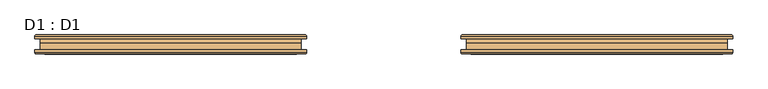
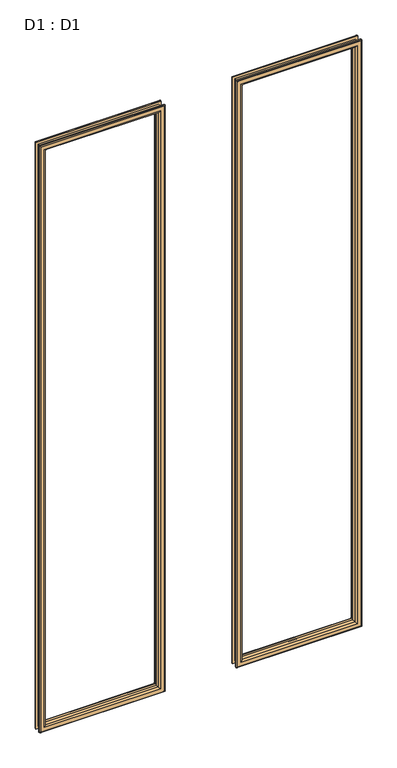
"""IFC4 building model written with IfcOpenShell, lengths in millimetres: door geometry, D1 : D1."""

import ifcopenshell
import ifcopenshell.guid

model = None  # the IFC model being written
_history = None  # IfcOwnerHistory: only IFC2X3 demands one
_inside = {}  # id of a spatial element -> (the spatial element, [elements in it])
_under = {}  # id of a project, library or spatial element -> (it, [spatial elements below it])
_declared = {}  # id of a project -> (the project, [libraries it declares])
_typed = {}  # id of a type object -> (the type object, [elements of that type])
_made_of = {}  # id of a material, layer set ... -> (it, [elements and type objects made of it])


def new_model(schema):
    """Start an empty IFC model of exactly this schema.

    Asked for "IFC4X3", IfcOpenShell would pick the latest addendum, in which some entities
    have other attributes; the version numbers below select the first issue.
    IFC2X3 requires an IfcOwnerHistory on every rooted entity: one is made here for all.
    """
    global model, _history
    if schema == "IFC4X3":
        model = ifcopenshell.file(schema_version=(4, 3, 0, 0))
    else:
        model = ifcopenshell.file(schema=schema)
    _inside.clear()
    _under.clear()
    _declared.clear()
    _typed.clear()
    _made_of.clear()
    _history = None
    if model.schema == "IFC2X3":
        org = make("IfcOrganization", Name="unknown")
        user = make(
            "IfcPersonAndOrganization",
            ThePerson=make("IfcPerson", FamilyName="unknown"),
            TheOrganization=org,
        )
        app = make(
            "IfcApplication",
            ApplicationDeveloper=org,
            Version="unknown",
            ApplicationFullName="unknown",
            ApplicationIdentifier="unknown",
        )
        _history = make(
            "IfcOwnerHistory",
            OwningUser=user,
            OwningApplication=app,
            ChangeAction="ADDED",
            CreationDate=0,
        )
    return model


def make(cls, **values):
    """One entity of the class cls with the attributes given. An attribute that is None is left unset."""
    return model.create_entity(
        cls, **{name: value for name, value in values.items() if value is not None}
    )


def rooted(cls, **values):
    """An entity with a GlobalId (a new one), such as an element, a storey or a relation."""
    return make(cls, GlobalId=ifcopenshell.guid.new(), OwnerHistory=_history, **values)


def si_unit(unit_type, name, prefix=None):
    """IfcSIUnit, for example si_unit("LENGTHUNIT", "METRE", prefix="MILLI")."""
    return make("IfcSIUnit", UnitType=unit_type, Prefix=prefix, Name=name)


def assignment(units):
    """IfcUnitAssignment: the units of a project."""
    return None if units is None else make("IfcUnitAssignment", Units=units)


def point(xyz):
    """IfcCartesianPoint."""
    return None if xyz is None else make("IfcCartesianPoint", Coordinates=xyz)


def direction(xyz):
    """IfcDirection."""
    return None if xyz is None else make("IfcDirection", DirectionRatios=xyz)


def frame(location, z_axis=None, x_axis=None):
    """IfcAxis2Placement3D, a coordinate frame: its origin and axes. An axis left out is left unset."""
    return make(
        "IfcAxis2Placement3D",
        Location=point(location),
        Axis=direction(z_axis),
        RefDirection=direction(x_axis),
    )


def origin():
    """The frame at (0, 0, 0) with its axes left unset."""
    return frame((0.0, 0.0, 0.0))


def place(relative_to, where):
    """IfcLocalPlacement: puts the frame where relative to a parent placement (None: the world)."""
    return make(
        "IfcLocalPlacement", PlacementRelTo=relative_to, RelativePlacement=where
    )


def context(
    kind, dimensions, precision=None, world=None, true_north=None, identifier=None
):
    """IfcGeometricRepresentationContext, for example the 3D "Model" context."""
    return make(
        "IfcGeometricRepresentationContext",
        ContextIdentifier=identifier,
        ContextType=kind,
        CoordinateSpaceDimension=dimensions,
        Precision=precision,
        WorldCoordinateSystem=world,
        TrueNorth=true_north,
    )


def project(units=None, contexts=None):
    """IfcProject with its units and contexts."""
    return rooted(
        "IfcProject",
        Name="project",
        RepresentationContexts=contexts,
        UnitsInContext=assignment(units),
    )


def spatial(cls, under=None, at=None, **own):
    """A site, building, storey or space (cls), placed at a placement, below another one or the project."""
    s = rooted(cls, ObjectPlacement=at, **own)
    if under is not None:
        _under.setdefault(under.id(), (under, []))[1].append(s)
    return s


def ellipse_curve(where, semi_axis1, semi_axis2):
    """IfcEllipse in the frame where."""
    return make(
        "IfcEllipse", Position=where, SemiAxis1=semi_axis1, SemiAxis2=semi_axis2
    )


def shape(context_of_items, identifier, shape_type, items):
    """IfcShapeRepresentation: the items that make up one representation, for example the "Body"."""
    return make(
        "IfcShapeRepresentation",
        ContextOfItems=context_of_items,
        RepresentationIdentifier=identifier,
        RepresentationType=shape_type,
        Items=items,
    )


def source(mapping_origin, context_of_items, identifier, shape_type, items):
    """IfcRepresentationMap: a shape defined once, which mapped items show again and again."""
    return make(
        "IfcRepresentationMap",
        MappingOrigin=mapping_origin,
        MappedRepresentation=shape(context_of_items, identifier, shape_type, items),
    )


def transform(
    local_origin,
    x_axis=None,
    y_axis=None,
    z_axis=None,
    scale=None,
    scale2=None,
    scale3=None,
    uniform=True,
):
    """IfcCartesianTransformationOperator3D, or its non-uniform kind. x_axis, y_axis, z_axis: its Axis1, 2, 3."""
    if uniform:
        return make(
            "IfcCartesianTransformationOperator3D",
            Axis1=direction(x_axis),
            Axis2=direction(y_axis),
            LocalOrigin=point(local_origin),
            Scale=scale,
            Axis3=direction(z_axis),
        )
    return make(
        "IfcCartesianTransformationOperator3DnonUniform",
        Axis1=direction(x_axis),
        Axis2=direction(y_axis),
        LocalOrigin=point(local_origin),
        Scale=scale,
        Axis3=direction(z_axis),
        Scale2=scale2,
        Scale3=scale3,
    )


def mapped(mapping_source, mapping_target):
    """IfcMappedItem: shows the shape of a source again, moved by a transform."""
    return make(
        "IfcMappedItem", MappingSource=mapping_source, MappingTarget=mapping_target
    )


def made_of(thing, what):
    """Note that an element or type object is made of a material, layer set ...; save() writes the relation."""
    if what is not None:
        _made_of.setdefault(what.id(), (what, []))[1].append(thing)
    return thing


def element(
    cls,
    number,
    at=None,
    inside=None,
    cuts=None,
    type_object=None,
    material=None,
    context=None,
    identifier="Body",
    shape_type=None,
    held_by="IfcProductDefinitionShape",
    body=None,
    shapes=None,
    **own,
):
    """One element of the class cls, such as IfcWall. Its Tag is "e" and its number.

    at: its placement. inside: the storey or other place that contains it. cuts: it is an
    opening in that element (IfcRelVoidsElement). A single representation is given by context,
    identifier, shape_type and body (its items); several are given by shapes. held_by: the class
    of the entity that holds the representations. save() writes the other relations.
    """
    e = rooted(cls, Tag="e%d" % number, ObjectPlacement=at, **own)
    if body is not None:
        shapes = [shape(context, identifier, shape_type, body)]
    if shapes is not None:
        e.Representation = make(held_by, Representations=shapes)
    if inside is not None:
        _inside.setdefault(inside.id(), (inside, []))[1].append(e)
    if cuts is not None:
        rooted(
            "IfcRelVoidsElement", RelatingBuildingElement=cuts, RelatedOpeningElement=e
        )
    if type_object is not None:
        _typed.setdefault(type_object.id(), (type_object, []))[1].append(e)
    return made_of(e, material)


def aggregate(whole, parts):
    """IfcRelAggregates: a whole, such as a stair, and the parts it consists of."""
    return rooted("IfcRelAggregates", RelatingObject=whole, RelatedObjects=parts)


def save(model, path):
    """Write the relations noted so far, then the file.

    IfcRelAggregates (storeys below a building ...), IfcRelContainedInSpatialStructure (elements
    in a storey), IfcRelDefinesByType, IfcRelAssociatesMaterial and IfcRelDeclares: one each for
    every whole, place, type object, material and project.
    """
    for whole, parts in _under.values():
        aggregate(whole, parts)
    for where, things in _inside.values():
        rooted(
            "IfcRelContainedInSpatialStructure",
            RelatedElements=things,
            RelatingStructure=where,
        )
    for kind, things in _typed.values():
        rooted("IfcRelDefinesByType", RelatedObjects=things, RelatingType=kind)
    for what, things in _made_of.values():
        rooted("IfcRelAssociatesMaterial", RelatedObjects=things, RelatingMaterial=what)
    for by, libraries in _declared.values():
        rooted("IfcRelDeclares", RelatingContext=by, RelatedDefinitions=libraries)
    model.write(path)


def plane_surface(at):
    """IfcPlane: the flat surface through the origin of the frame at, square to its z axis."""
    return make("IfcPlane", Position=at)


def cylinder_surface(at, radius):
    """IfcCylindricalSurface: all points at the distance radius from the z axis of the frame at."""
    return make("IfcCylindricalSurface", Position=at, Radius=radius)


def advanced_brep(points, edges, surfaces, faces):
    """IfcAdvancedBrep: a solid bounded by faces that lie on surfaces and meet in shared edges.

    An edge is (start, end): straight between two places in points (the first is 0);
    or (start, end, curve); or (start, end, curve, False) where it runs against its curve.
    A face is (place in surfaces, loops), or (place, loops, False) where it looks against
    its surface's normal. A loop lists edges by number (the first is 1), with a minus sign
    where the edge is run from its end to its start. The first loop is the outer one.
    """
    corners = [point(p) for p in points]
    vertices = [make("IfcVertexPoint", VertexGeometry=c) for c in corners]
    made = []
    for start, end, *more in edges:
        made.append(
            make(
                "IfcEdgeCurve",
                EdgeStart=vertices[start],
                EdgeEnd=vertices[end],
                EdgeGeometry=more[0] if more else make("IfcPolyline", Points=[corners[start], corners[end]]),
                SameSense=more[1] if len(more) > 1 else True,
            )
        )
    hull = []
    for where, loops, *sense in faces:
        bounds = []
        for j, loop in enumerate(loops):
            ring = [make("IfcOrientedEdge", EdgeElement=made[abs(k) - 1], Orientation=k > 0) for k in loop]
            bounds.append(
                make(
                    "IfcFaceOuterBound" if j == 0 else "IfcFaceBound",
                    Bound=make("IfcEdgeLoop", EdgeList=ring),
                    Orientation=True,
                )
            )
        hull.append(make("IfcAdvancedFace", Bounds=bounds, FaceSurface=surfaces[where], SameSense=sense[0] if sense else True))
    return make("IfcAdvancedBrep", Outer=make("IfcClosedShell", CfsFaces=hull))


def d1_d1_1bc493be(model_context):
    return source(origin(), model_context, "Body", "AdvancedBrep", [
        advanced_brep(
        [(526.5, 48.0, 2196.006446), (526.5, 38.0, 2196.006446), (526.5, 38.0, 155.753223), (526.5, 48.0, 155.753223), (514.5, 37.0, 2184.006446), (514.5, 48.0, 2184.006446), (514.5, 48.0, 167.753223), (514.5, 37.0, 167.753223), (519.5, 32.0, 2189.006446), (519.5, 32.0, 162.753223), (534.5, 34.0, 2204.006446), (532.5, 32.0, 2202.006446), (532.5, 32.0, 149.753223), (534.5, 34.0, 147.753223), (534.5, 38.0, 2204.006446), (534.5, 38.0, 147.753223), (126.5, 38.0, 155.753223), (126.5, 48.0, 155.753223), (138.5, 48.0, 167.753223), (138.5, 37.0, 167.753223), (133.5, 32.0, 162.753223), (120.5, 32.0, 149.753223), (118.5, 34.0, 147.753223), (118.5, 38.0, 147.753223), (126.5, 38.0, 2196.006446), (126.5, 48.0, 2196.006446), (138.5, 48.0, 2184.006446), (138.5, 37.0, 2184.006446), (133.5, 32.0, 2189.006446), (120.5, 32.0, 2202.006446), (118.5, 34.0, 2204.006446), (118.5, 38.0, 2204.006446)],
        [
            (0, 1),
            (1, 2),
            (2, 3),
            (3, 0),
            (4, 5),
            (5, 6),
            (6, 7),
            (7, 4),
            (8, 4, ellipse_curve(frame((519.5, 37.0, 2189.006446), z_axis=(0.7071067811865475, 0.0, -0.7071067811865475), x_axis=(0.7071067811865474, 0.0, 0.7071067811865476)), 7.0710678, 5.0)),
            (7, 9, ellipse_curve(frame((519.5, 37.0, 162.753223), z_axis=(0.7071067811865475, 0.0, 0.7071067811865475), x_axis=(-0.7071067811865474, 0.0, 0.7071067811865476)), 7.0710678, 5.0)),
            (9, 8),
            (10, 11, ellipse_curve(frame((532.5, 34.0, 2202.006446), z_axis=(0.7071067811865475, 0.0, -0.7071067811865475), x_axis=(0.7071067811865474, 0.0, 0.7071067811865476)), 2.8284271, 2.0)),
            (11, 12),
            (12, 13, ellipse_curve(frame((532.5, 34.0, 149.753223), z_axis=(0.7071067811865475, 0.0, 0.7071067811865475), x_axis=(-0.7071067811865474, 0.0, 0.7071067811865476)), 2.8284271, 2.0)),
            (13, 10),
            (14, 10),
            (13, 15),
            (15, 14),
            (2, 16),
            (16, 17),
            (17, 3),
            (6, 18),
            (18, 19),
            (19, 7),
            (19, 20, ellipse_curve(frame((133.5, 37.0, 162.753223), z_axis=(0.7071067811865475, 0.0, -0.7071067811865475), x_axis=(0.7071067811865476, 0.0, 0.7071067811865474)), 7.0710678, 5.0)),
            (20, 9),
            (12, 21),
            (21, 22, ellipse_curve(frame((120.5, 34.0, 149.753223), z_axis=(0.7071067811865475, 0.0, -0.7071067811865475), x_axis=(0.7071067811865476, 0.0, 0.7071067811865474)), 2.8284271, 2.0)),
            (22, 13),
            (22, 23),
            (23, 15),
            (16, 24),
            (24, 25),
            (25, 17),
            (18, 26),
            (26, 27),
            (27, 19),
            (27, 28, ellipse_curve(frame((133.5, 37.0, 2189.006446), z_axis=(-0.7071067811865475, 0.0, -0.7071067811865475), x_axis=(0.7071067811865474, 0.0, -0.7071067811865476)), 7.0710678, 5.0)),
            (28, 20),
            (21, 29),
            (29, 30, ellipse_curve(frame((120.5, 34.0, 2202.006446), z_axis=(-0.7071067811865475, 0.0, -0.7071067811865475), x_axis=(0.7071067811865474, 0.0, -0.7071067811865476)), 2.8284271, 2.0)),
            (30, 22),
            (30, 31),
            (31, 23),
            (31, 14),
            (1, 24),
            (0, 25),
            (5, 26),
            (4, 27),
            (8, 28),
            (11, 29),
            (10, 30),
        ],
        [
            plane_surface(frame((526.5, 38.0, 2196.006446), z_axis=(1.0, 0.0, 0.0), x_axis=(0.0, 0.0, -1.0))),
            plane_surface(frame((514.5, 48.0, 2184.006446), z_axis=(-1.0, 0.0, 0.0), x_axis=(0.0, 0.0, -1.0))),
            cylinder_surface(frame((519.5, 37.0, 2196.006446), z_axis=(0.0, 0.0, 1.0), x_axis=(1.0, 0.0, 0.0)), 5.0),
            cylinder_surface(frame((532.5, 34.0, 2196.006446), z_axis=(0.0, 0.0, 1.0), x_axis=(1.0, 0.0, 0.0)), 2.0),
            plane_surface(frame((534.5, 34.0, 2204.006446), z_axis=(1.0, 0.0, 0.0), x_axis=(0.0, 0.0, -1.0))),
            plane_surface(frame((526.5, 38.0, 155.753223), z_axis=(0.0, 0.0, -1.0), x_axis=(-1.0, 0.0, 0.0))),
            plane_surface(frame((514.5, 48.0, 167.753223), z_axis=(0.0, 0.0, 1.0), x_axis=(-1.0, 0.0, 0.0))),
            cylinder_surface(frame((526.5, 37.0, 162.753223), z_axis=(1.0, 0.0, 0.0), x_axis=(0.0, 0.0, -1.0)), 5.0),
            cylinder_surface(frame((526.5, 34.0, 149.753223), z_axis=(1.0, 0.0, 0.0), x_axis=(0.0, 0.0, -1.0)), 2.0),
            plane_surface(frame((534.5, 34.0, 147.753223), z_axis=(0.0, 0.0, -1.0), x_axis=(-1.0, 0.0, 0.0))),
            plane_surface(frame((126.5, 38.0, 155.753223), z_axis=(-1.0, 0.0, 0.0), x_axis=(0.0, 0.0, 1.0))),
            plane_surface(frame((138.5, 48.0, 167.753223), z_axis=(1.0, 0.0, 0.0), x_axis=(0.0, 0.0, 1.0))),
            cylinder_surface(frame((133.5, 37.0, 155.753223), z_axis=(0.0, 0.0, -1.0), x_axis=(-1.0, 0.0, 0.0)), 5.0),
            cylinder_surface(frame((120.5, 34.0, 155.753223), z_axis=(0.0, 0.0, -1.0), x_axis=(-1.0, 0.0, 0.0)), 2.0),
            plane_surface(frame((118.5, 34.0, 147.753223), z_axis=(-1.0, 0.0, 0.0), x_axis=(0.0, 0.0, 1.0))),
            plane_surface(frame((118.5, 38.0, 2204.006446), z_axis=(0.0, 1.0, 0.0), x_axis=(1.0, 0.0, 0.0))),
            plane_surface(frame((126.5, 38.0, 2196.006446), z_axis=(0.0, 0.0, 1.0), x_axis=(1.0, 0.0, 0.0))),
            plane_surface(frame((126.5, 48.0, 2196.006446), z_axis=(0.0, 1.0, 0.0), x_axis=(1.0, 0.0, 0.0))),
            plane_surface(frame((138.5, 48.0, 2184.006446), z_axis=(0.0, 0.0, -1.0), x_axis=(1.0, 0.0, 0.0))),
            cylinder_surface(frame((126.5, 37.0, 2189.006446), z_axis=(-1.0, 0.0, 0.0), x_axis=(0.0, 0.0, 1.0)), 5.0),
            plane_surface(frame((133.5, 32.0, 2189.006446), z_axis=(0.0, -1.0, 0.0), x_axis=(1.0, 0.0, 0.0))),
            cylinder_surface(frame((126.5, 34.0, 2202.006446), z_axis=(-1.0, 0.0, 0.0), x_axis=(0.0, 0.0, 1.0)), 2.0),
            plane_surface(frame((118.5, 34.0, 2204.006446), z_axis=(0.0, 0.0, 1.0), x_axis=(1.0, 0.0, 0.0))),
        ],
        [
            (0, [[1, 2, 3, 4]]),
            (1, [[5, 6, 7, 8]]),
            (2, [[9, -8, 10, 11]]),
            (3, [[12, 13, 14, 15]]),
            (4, [[16, -15, 17, 18]]),
            (5, [[-3, 19, 20, 21]]),
            (6, [[-7, 22, 23, 24]]),
            (7, [[-10, -24, 25, 26]]),
            (8, [[-14, 27, 28, 29]]),
            (9, [[-17, -29, 30, 31]]),
            (10, [[-20, 32, 33, 34]]),
            (11, [[-23, 35, 36, 37]]),
            (12, [[-25, -37, 38, 39]]),
            (13, [[-28, 40, 41, 42]]),
            (14, [[-30, -42, 43, 44]]),
            (15, [[-31, -44, 45, -18], [46, -32, -19, -2]]),
            (16, [[-33, -46, -1, 47]]),
            (17, [[-21, -34, -47, -4], [48, -35, -22, -6]]),
            (18, [[-36, -48, -5, 49]]),
            (19, [[-38, -49, -9, 50]]),
            (20, [[51, -40, -27, -13], [-26, -39, -50, -11]]),
            (21, [[-41, -51, -12, 52]]),
            (22, [[-43, -52, -16, -45]]),
        ],
    ),
        advanced_brep(
        [(-526.5, 48.0, 155.753223), (-526.5, 38.0, 155.753223), (-526.5, 38.0, 2195.753223), (-526.5, 48.0, 2195.753223), (-514.5, 37.0, 167.753223), (-514.5, 48.0, 167.753223), (-514.5, 48.0, 2183.753223), (-514.5, 37.0, 2183.753223), (-519.5, 32.0, 162.753223), (-519.5, 32.0, 2188.753223), (-534.5, 34.0, 147.753223), (-532.5, 32.0, 149.753223), (-532.5, 32.0, 2201.753223), (-534.5, 34.0, 2203.753223), (-534.5, 38.0, 147.753223), (-534.5, 38.0, 2203.753223), (-126.5, 38.0, 2195.753223), (-126.5, 48.0, 2195.753223), (-138.5, 48.0, 2183.753223), (-138.5, 37.0, 2183.753223), (-133.5, 32.0, 2188.753223), (-120.5, 32.0, 2201.753223), (-118.5, 34.0, 2203.753223), (-118.5, 38.0, 2203.753223), (-126.5, 38.0, 155.753223), (-126.5, 48.0, 155.753223), (-138.5, 48.0, 167.753223), (-138.5, 37.0, 167.753223), (-133.5, 32.0, 162.753223), (-120.5, 32.0, 149.753223), (-118.5, 34.0, 147.753223), (-118.5, 38.0, 147.753223)],
        [
            (0, 1),
            (1, 2),
            (2, 3),
            (3, 0),
            (4, 5),
            (5, 6),
            (6, 7),
            (7, 4),
            (8, 4, ellipse_curve(frame((-519.5, 37.0, 162.753223), z_axis=(-0.7071067811865475, 0.0, 0.7071067811865475), x_axis=(-0.7071067811865474, 0.0, -0.7071067811865476)), 7.0710678, 5.0)),
            (7, 9, ellipse_curve(frame((-519.5, 37.0, 2188.753223), z_axis=(-0.7071067811865475, 0.0, -0.7071067811865475), x_axis=(0.7071067811865474, 0.0, -0.7071067811865476)), 7.0710678, 5.0)),
            (9, 8),
            (10, 11, ellipse_curve(frame((-532.5, 34.0, 149.753223), z_axis=(-0.7071067811865475, 0.0, 0.7071067811865475), x_axis=(-0.7071067811865474, 0.0, -0.7071067811865476)), 2.8284271, 2.0)),
            (11, 12),
            (12, 13, ellipse_curve(frame((-532.5, 34.0, 2201.753223), z_axis=(-0.7071067811865475, 0.0, -0.7071067811865475), x_axis=(0.7071067811865474, 0.0, -0.7071067811865476)), 2.8284271, 2.0)),
            (13, 10),
            (14, 10),
            (13, 15),
            (15, 14),
            (2, 16),
            (16, 17),
            (17, 3),
            (6, 18),
            (18, 19),
            (19, 7),
            (19, 20, ellipse_curve(frame((-133.5, 37.0, 2188.753223), z_axis=(-0.7071067811865475, 0.0, 0.7071067811865475), x_axis=(-0.7071067811865476, 0.0, -0.7071067811865474)), 7.0710678, 5.0)),
            (20, 9),
            (12, 21),
            (21, 22, ellipse_curve(frame((-120.5, 34.0, 2201.753223), z_axis=(-0.7071067811865475, 0.0, 0.7071067811865475), x_axis=(-0.7071067811865476, 0.0, -0.7071067811865474)), 2.8284271, 2.0)),
            (22, 13),
            (22, 23),
            (23, 15),
            (16, 24),
            (24, 25),
            (25, 17),
            (18, 26),
            (26, 27),
            (27, 19),
            (27, 28, ellipse_curve(frame((-133.5, 37.0, 162.753223), z_axis=(0.7071067811865475, 0.0, 0.7071067811865475), x_axis=(-0.7071067811865474, 0.0, 0.7071067811865476)), 7.0710678, 5.0)),
            (28, 20),
            (21, 29),
            (29, 30, ellipse_curve(frame((-120.5, 34.0, 149.753223), z_axis=(0.7071067811865475, 0.0, 0.7071067811865475), x_axis=(-0.7071067811865474, 0.0, 0.7071067811865476)), 2.8284271, 2.0)),
            (30, 22),
            (30, 31),
            (31, 23),
            (31, 14),
            (1, 24),
            (0, 25),
            (5, 26),
            (4, 27),
            (8, 28),
            (11, 29),
            (10, 30),
        ],
        [
            plane_surface(frame((-526.5, 38.0, 155.753223), z_axis=(-1.0, 0.0, 0.0), x_axis=(0.0, 0.0, 1.0))),
            plane_surface(frame((-514.5, 48.0, 167.753223), z_axis=(1.0, 0.0, 0.0), x_axis=(0.0, 0.0, 1.0))),
            cylinder_surface(frame((-519.5, 37.0, 155.753223), z_axis=(0.0, 0.0, -1.0), x_axis=(-1.0, 0.0, 0.0)), 5.0),
            cylinder_surface(frame((-532.5, 34.0, 155.753223), z_axis=(0.0, 0.0, -1.0), x_axis=(-1.0, 0.0, 0.0)), 2.0),
            plane_surface(frame((-534.5, 34.0, 147.753223), z_axis=(-1.0, 0.0, 0.0), x_axis=(0.0, 0.0, 1.0))),
            plane_surface(frame((-526.5, 38.0, 2195.753223), z_axis=(0.0, 0.0, 1.0), x_axis=(1.0, 0.0, 0.0))),
            plane_surface(frame((-514.5, 48.0, 2183.753223), z_axis=(0.0, 0.0, -1.0), x_axis=(1.0, 0.0, 0.0))),
            cylinder_surface(frame((-526.5, 37.0, 2188.753223), z_axis=(-1.0, 0.0, 0.0), x_axis=(0.0, 0.0, 1.0)), 5.0),
            cylinder_surface(frame((-526.5, 34.0, 2201.753223), z_axis=(-1.0, 0.0, 0.0), x_axis=(0.0, 0.0, 1.0)), 2.0),
            plane_surface(frame((-534.5, 34.0, 2203.753223), z_axis=(0.0, 0.0, 1.0), x_axis=(1.0, 0.0, 0.0))),
            plane_surface(frame((-126.5, 38.0, 2195.753223), z_axis=(1.0, 0.0, 0.0), x_axis=(0.0, 0.0, -1.0))),
            plane_surface(frame((-138.5, 48.0, 2183.753223), z_axis=(-1.0, 0.0, 0.0), x_axis=(0.0, 0.0, -1.0))),
            cylinder_surface(frame((-133.5, 37.0, 2195.753223), z_axis=(0.0, 0.0, 1.0), x_axis=(1.0, 0.0, 0.0)), 5.0),
            cylinder_surface(frame((-120.5, 34.0, 2195.753223), z_axis=(0.0, 0.0, 1.0), x_axis=(1.0, 0.0, 0.0)), 2.0),
            plane_surface(frame((-118.5, 34.0, 2203.753223), z_axis=(1.0, 0.0, 0.0), x_axis=(0.0, 0.0, -1.0))),
            plane_surface(frame((-118.5, 38.0, 147.753223), z_axis=(0.0, 1.0, 0.0), x_axis=(-1.0, 0.0, 0.0))),
            plane_surface(frame((-126.5, 38.0, 155.753223), z_axis=(0.0, 0.0, -1.0), x_axis=(-1.0, 0.0, 0.0))),
            plane_surface(frame((-126.5, 48.0, 155.753223), z_axis=(0.0, 1.0, 0.0), x_axis=(-1.0, 0.0, 0.0))),
            plane_surface(frame((-138.5, 48.0, 167.753223), z_axis=(0.0, 0.0, 1.0), x_axis=(-1.0, 0.0, 0.0))),
            cylinder_surface(frame((-126.5, 37.0, 162.753223), z_axis=(1.0, 0.0, 0.0), x_axis=(0.0, 0.0, -1.0)), 5.0),
            plane_surface(frame((-133.5, 32.0, 162.753223), z_axis=(0.0, -1.0, 0.0), x_axis=(-1.0, 0.0, 0.0))),
            cylinder_surface(frame((-126.5, 34.0, 149.753223), z_axis=(1.0, 0.0, 0.0), x_axis=(0.0, 0.0, -1.0)), 2.0),
            plane_surface(frame((-118.5, 34.0, 147.753223), z_axis=(0.0, 0.0, -1.0), x_axis=(-1.0, 0.0, 0.0))),
        ],
        [
            (0, [[1, 2, 3, 4]]),
            (1, [[5, 6, 7, 8]]),
            (2, [[9, -8, 10, 11]]),
            (3, [[12, 13, 14, 15]]),
            (4, [[16, -15, 17, 18]]),
            (5, [[-3, 19, 20, 21]]),
            (6, [[-7, 22, 23, 24]]),
            (7, [[-10, -24, 25, 26]]),
            (8, [[-14, 27, 28, 29]]),
            (9, [[-17, -29, 30, 31]]),
            (10, [[-20, 32, 33, 34]]),
            (11, [[-23, 35, 36, 37]]),
            (12, [[-25, -37, 38, 39]]),
            (13, [[-28, 40, 41, 42]]),
            (14, [[-30, -42, 43, 44]]),
            (15, [[-31, -44, 45, -18], [46, -32, -19, -2]]),
            (16, [[-33, -46, -1, 47]]),
            (17, [[-21, -34, -47, -4], [48, -35, -22, -6]]),
            (18, [[-36, -48, -5, 49]]),
            (19, [[-38, -49, -9, 50]]),
            (20, [[51, -40, -27, -13], [-26, -39, -50, -11]]),
            (21, [[-41, -51, -12, 52]]),
            (22, [[-43, -52, -16, -45]]),
        ],
    ),
        advanced_brep(
        [(526.5, 45.0, 155.753223), (526.5, 55.0, 155.753223), (526.5, 55.0, 2196.006446), (526.5, 45.0, 2196.006446), (514.5, 56.0, 167.753223), (514.5, 45.0, 167.753223), (514.5, 45.0, 2184.006446), (514.5, 56.0, 2184.006446), (519.5, 61.0, 162.753223), (519.5, 61.0, 2189.006446), (534.5, 59.0, 147.753223), (532.5, 61.0, 149.753223), (532.5, 61.0, 2202.006446), (534.5, 59.0, 2204.006446), (534.5, 55.0, 147.753223), (534.5, 55.0, 2204.006446), (126.5, 55.0, 2196.006446), (126.5, 45.0, 2196.006446), (138.5, 45.0, 2184.006446), (138.5, 56.0, 2184.006446), (133.5, 61.0, 2189.006446), (120.5, 61.0, 2202.006446), (118.5, 59.0, 2204.006446), (118.5, 55.0, 2204.006446), (126.5, 55.0, 155.753223), (126.5, 45.0, 155.753223), (138.5, 45.0, 167.753223), (138.5, 56.0, 167.753223), (133.5, 61.0, 162.753223), (120.5, 61.0, 149.753223), (118.5, 59.0, 147.753223), (118.5, 55.0, 147.753223)],
        [
            (0, 1),
            (1, 2),
            (2, 3),
            (3, 0),
            (4, 5),
            (5, 6),
            (6, 7),
            (7, 4),
            (8, 4, ellipse_curve(frame((519.5, 56.0, 162.753223), z_axis=(0.7071067811865475, 0.0, 0.7071067811865475), x_axis=(0.7071067811865474, 0.0, -0.7071067811865476)), 7.0710678, 5.0)),
            (7, 9, ellipse_curve(frame((519.5, 56.0, 2189.006446), z_axis=(0.7071067811865475, 0.0, -0.7071067811865475), x_axis=(-0.7071067811865474, 0.0, -0.7071067811865476)), 7.0710678, 5.0)),
            (9, 8),
            (10, 11, ellipse_curve(frame((532.5, 59.0, 149.753223), z_axis=(0.7071067811865475, 0.0, 0.7071067811865475), x_axis=(0.7071067811865474, 0.0, -0.7071067811865476)), 2.8284271, 2.0)),
            (11, 12),
            (12, 13, ellipse_curve(frame((532.5, 59.0, 2202.006446), z_axis=(0.7071067811865475, 0.0, -0.7071067811865475), x_axis=(-0.7071067811865474, 0.0, -0.7071067811865476)), 2.8284271, 2.0)),
            (13, 10),
            (14, 10),
            (13, 15),
            (15, 14),
            (2, 16),
            (16, 17),
            (17, 3),
            (6, 18),
            (18, 19),
            (19, 7),
            (19, 20, ellipse_curve(frame((133.5, 56.0, 2189.006446), z_axis=(0.7071067811865475, 0.0, 0.7071067811865475), x_axis=(0.7071067811865476, 0.0, -0.7071067811865474)), 7.0710678, 5.0)),
            (20, 9),
            (12, 21),
            (21, 22, ellipse_curve(frame((120.5, 59.0, 2202.006446), z_axis=(0.7071067811865475, 0.0, 0.7071067811865475), x_axis=(0.7071067811865476, 0.0, -0.7071067811865474)), 2.8284271, 2.0)),
            (22, 13),
            (22, 23),
            (23, 15),
            (16, 24),
            (24, 25),
            (25, 17),
            (18, 26),
            (26, 27),
            (27, 19),
            (27, 28, ellipse_curve(frame((133.5, 56.0, 162.753223), z_axis=(-0.7071067811865475, 0.0, 0.7071067811865475), x_axis=(0.7071067811865474, 0.0, 0.7071067811865476)), 7.0710678, 5.0)),
            (28, 20),
            (21, 29),
            (29, 30, ellipse_curve(frame((120.5, 59.0, 149.753223), z_axis=(-0.7071067811865475, 0.0, 0.7071067811865475), x_axis=(0.7071067811865474, 0.0, 0.7071067811865476)), 2.8284271, 2.0)),
            (30, 22),
            (30, 31),
            (31, 23),
            (31, 14),
            (1, 24),
            (0, 25),
            (5, 26),
            (4, 27),
            (8, 28),
            (11, 29),
            (10, 30),
        ],
        [
            plane_surface(frame((526.5, 55.0, 155.753223), z_axis=(1.0, 0.0, 0.0), x_axis=(0.0, 0.0, 1.0))),
            plane_surface(frame((514.5, 45.0, 167.753223), z_axis=(-1.0, 0.0, 0.0), x_axis=(0.0, 0.0, 1.0))),
            cylinder_surface(frame((519.5, 56.0, 155.753223), z_axis=(0.0, 0.0, -1.0), x_axis=(1.0, 0.0, 0.0)), 5.0),
            cylinder_surface(frame((532.5, 59.0, 155.753223), z_axis=(0.0, 0.0, -1.0), x_axis=(1.0, 0.0, 0.0)), 2.0),
            plane_surface(frame((534.5, 59.0, 147.753223), z_axis=(1.0, 0.0, 0.0), x_axis=(0.0, 0.0, 1.0))),
            plane_surface(frame((526.5, 55.0, 2196.006446), z_axis=(0.0, 0.0, 1.0), x_axis=(-1.0, 0.0, 0.0))),
            plane_surface(frame((514.5, 45.0, 2184.006446), z_axis=(0.0, 0.0, -1.0), x_axis=(-1.0, 0.0, 0.0))),
            cylinder_surface(frame((526.5, 56.0, 2189.006446), z_axis=(1.0, 0.0, 0.0), x_axis=(0.0, 0.0, 1.0)), 5.0),
            cylinder_surface(frame((526.5, 59.0, 2202.006446), z_axis=(1.0, 0.0, 0.0), x_axis=(0.0, 0.0, 1.0)), 2.0),
            plane_surface(frame((534.5, 59.0, 2204.006446), z_axis=(0.0, 0.0, 1.0), x_axis=(-1.0, 0.0, 0.0))),
            plane_surface(frame((126.5, 55.0, 2196.006446), z_axis=(-1.0, 0.0, 0.0), x_axis=(0.0, 0.0, -1.0))),
            plane_surface(frame((138.5, 45.0, 2184.006446), z_axis=(1.0, 0.0, 0.0), x_axis=(0.0, 0.0, -1.0))),
            cylinder_surface(frame((133.5, 56.0, 2196.006446), z_axis=(0.0, 0.0, 1.0), x_axis=(-1.0, 0.0, 0.0)), 5.0),
            cylinder_surface(frame((120.5, 59.0, 2196.006446), z_axis=(0.0, 0.0, 1.0), x_axis=(-1.0, 0.0, 0.0)), 2.0),
            plane_surface(frame((118.5, 59.0, 2204.006446), z_axis=(-1.0, 0.0, 0.0), x_axis=(0.0, 0.0, -1.0))),
            plane_surface(frame((118.5, 55.0, 147.753223), z_axis=(0.0, -1.0, 0.0), x_axis=(1.0, 0.0, 0.0))),
            plane_surface(frame((126.5, 55.0, 155.753223), z_axis=(0.0, 0.0, -1.0), x_axis=(1.0, 0.0, 0.0))),
            plane_surface(frame((126.5, 45.0, 155.753223), z_axis=(0.0, -1.0, 0.0), x_axis=(1.0, 0.0, 0.0))),
            plane_surface(frame((138.5, 45.0, 167.753223), z_axis=(0.0, 0.0, 1.0), x_axis=(1.0, 0.0, 0.0))),
            cylinder_surface(frame((126.5, 56.0, 162.753223), z_axis=(-1.0, 0.0, 0.0), x_axis=(0.0, 0.0, -1.0)), 5.0),
            plane_surface(frame((133.5, 61.0, 162.753223), z_axis=(0.0, 1.0, 0.0), x_axis=(1.0, 0.0, 0.0))),
            cylinder_surface(frame((126.5, 59.0, 149.753223), z_axis=(-1.0, 0.0, 0.0), x_axis=(0.0, 0.0, -1.0)), 2.0),
            plane_surface(frame((118.5, 59.0, 147.753223), z_axis=(0.0, 0.0, -1.0), x_axis=(1.0, 0.0, 0.0))),
        ],
        [
            (0, [[1, 2, 3, 4]]),
            (1, [[5, 6, 7, 8]]),
            (2, [[9, -8, 10, 11]]),
            (3, [[12, 13, 14, 15]]),
            (4, [[16, -15, 17, 18]]),
            (5, [[-3, 19, 20, 21]]),
            (6, [[-7, 22, 23, 24]]),
            (7, [[-10, -24, 25, 26]]),
            (8, [[-14, 27, 28, 29]]),
            (9, [[-17, -29, 30, 31]]),
            (10, [[-20, 32, 33, 34]]),
            (11, [[-23, 35, 36, 37]]),
            (12, [[-25, -37, 38, 39]]),
            (13, [[-28, 40, 41, 42]]),
            (14, [[-30, -42, 43, 44]]),
            (15, [[-31, -44, 45, -18], [46, -32, -19, -2]]),
            (16, [[-33, -46, -1, 47]]),
            (17, [[-21, -34, -47, -4], [48, -35, -22, -6]]),
            (18, [[-36, -48, -5, 49]]),
            (19, [[-38, -49, -9, 50]]),
            (20, [[51, -40, -27, -13], [-26, -39, -50, -11]]),
            (21, [[-41, -51, -12, 52]]),
            (22, [[-43, -52, -16, -45]]),
        ],
    ),
        advanced_brep(
        [(-526.5, 45.0, 2196.006446), (-526.5, 55.0, 2196.006446), (-526.5, 55.0, 155.753223), (-526.5, 45.0, 155.753223), (-514.5, 56.0, 2184.006446), (-514.5, 45.0, 2184.006446), (-514.5, 45.0, 167.753223), (-514.5, 56.0, 167.753223), (-519.5, 61.0, 2189.006446), (-519.5, 61.0, 162.753223), (-534.5, 59.0, 2204.006446), (-532.5, 61.0, 2202.006446), (-532.5, 61.0, 149.753223), (-534.5, 59.0, 147.753223), (-534.5, 55.0, 2204.006446), (-534.5, 55.0, 147.753223), (-126.5, 55.0, 155.753223), (-126.5, 45.0, 155.753223), (-138.5, 45.0, 167.753223), (-138.5, 56.0, 167.753223), (-133.5, 61.0, 162.753223), (-120.5, 61.0, 149.753223), (-118.5, 59.0, 147.753223), (-118.5, 55.0, 147.753223), (-126.5, 55.0, 2196.006446), (-126.5, 45.0, 2196.006446), (-138.5, 45.0, 2184.006446), (-138.5, 56.0, 2184.006446), (-133.5, 61.0, 2189.006446), (-120.5, 61.0, 2202.006446), (-118.5, 59.0, 2204.006446), (-118.5, 55.0, 2204.006446)],
        [
            (0, 1),
            (1, 2),
            (2, 3),
            (3, 0),
            (4, 5),
            (5, 6),
            (6, 7),
            (7, 4),
            (8, 4, ellipse_curve(frame((-519.5, 56.0, 2189.006446), z_axis=(-0.7071067811865475, 0.0, -0.7071067811865475), x_axis=(-0.7071067811865474, 0.0, 0.7071067811865476)), 7.0710678, 5.0)),
            (7, 9, ellipse_curve(frame((-519.5, 56.0, 162.753223), z_axis=(-0.7071067811865475, 0.0, 0.7071067811865475), x_axis=(0.7071067811865474, 0.0, 0.7071067811865476)), 7.0710678, 5.0)),
            (9, 8),
            (10, 11, ellipse_curve(frame((-532.5, 59.0, 2202.006446), z_axis=(-0.7071067811865475, 0.0, -0.7071067811865475), x_axis=(-0.7071067811865474, 0.0, 0.7071067811865476)), 2.8284271, 2.0)),
            (11, 12),
            (12, 13, ellipse_curve(frame((-532.5, 59.0, 149.753223), z_axis=(-0.7071067811865475, 0.0, 0.7071067811865475), x_axis=(0.7071067811865474, 0.0, 0.7071067811865476)), 2.8284271, 2.0)),
            (13, 10),
            (14, 10),
            (13, 15),
            (15, 14),
            (2, 16),
            (16, 17),
            (17, 3),
            (6, 18),
            (18, 19),
            (19, 7),
            (19, 20, ellipse_curve(frame((-133.5, 56.0, 162.753223), z_axis=(-0.7071067811865475, 0.0, -0.7071067811865475), x_axis=(-0.7071067811865476, 0.0, 0.7071067811865474)), 7.0710678, 5.0)),
            (20, 9),
            (12, 21),
            (21, 22, ellipse_curve(frame((-120.5, 59.0, 149.753223), z_axis=(-0.7071067811865475, 0.0, -0.7071067811865475), x_axis=(-0.7071067811865476, 0.0, 0.7071067811865474)), 2.8284271, 2.0)),
            (22, 13),
            (22, 23),
            (23, 15),
            (16, 24),
            (24, 25),
            (25, 17),
            (18, 26),
            (26, 27),
            (27, 19),
            (27, 28, ellipse_curve(frame((-133.5, 56.0, 2189.006446), z_axis=(0.7071067811865475, 0.0, -0.7071067811865475), x_axis=(-0.7071067811865474, 0.0, -0.7071067811865476)), 7.0710678, 5.0)),
            (28, 20),
            (21, 29),
            (29, 30, ellipse_curve(frame((-120.5, 59.0, 2202.006446), z_axis=(0.7071067811865475, 0.0, -0.7071067811865475), x_axis=(-0.7071067811865474, 0.0, -0.7071067811865476)), 2.8284271, 2.0)),
            (30, 22),
            (30, 31),
            (31, 23),
            (31, 14),
            (1, 24),
            (0, 25),
            (5, 26),
            (4, 27),
            (8, 28),
            (11, 29),
            (10, 30),
        ],
        [
            plane_surface(frame((-526.5, 55.0, 2196.006446), z_axis=(-1.0, 0.0, 0.0), x_axis=(0.0, 0.0, -1.0))),
            plane_surface(frame((-514.5, 45.0, 2184.006446), z_axis=(1.0, 0.0, 0.0), x_axis=(0.0, 0.0, -1.0))),
            cylinder_surface(frame((-519.5, 56.0, 2196.006446), z_axis=(0.0, 0.0, 1.0), x_axis=(-1.0, 0.0, 0.0)), 5.0),
            cylinder_surface(frame((-532.5, 59.0, 2196.006446), z_axis=(0.0, 0.0, 1.0), x_axis=(-1.0, 0.0, 0.0)), 2.0),
            plane_surface(frame((-534.5, 59.0, 2204.006446), z_axis=(-1.0, 0.0, 0.0), x_axis=(0.0, 0.0, -1.0))),
            plane_surface(frame((-526.5, 55.0, 155.753223), z_axis=(0.0, 0.0, -1.0), x_axis=(1.0, 0.0, 0.0))),
            plane_surface(frame((-514.5, 45.0, 167.753223), z_axis=(0.0, 0.0, 1.0), x_axis=(1.0, 0.0, 0.0))),
            cylinder_surface(frame((-526.5, 56.0, 162.753223), z_axis=(-1.0, 0.0, 0.0), x_axis=(0.0, 0.0, -1.0)), 5.0),
            cylinder_surface(frame((-526.5, 59.0, 149.753223), z_axis=(-1.0, 0.0, 0.0), x_axis=(0.0, 0.0, -1.0)), 2.0),
            plane_surface(frame((-534.5, 59.0, 147.753223), z_axis=(0.0, 0.0, -1.0), x_axis=(1.0, 0.0, 0.0))),
            plane_surface(frame((-126.5, 55.0, 155.753223), z_axis=(1.0, 0.0, 0.0), x_axis=(0.0, 0.0, 1.0))),
            plane_surface(frame((-138.5, 45.0, 167.753223), z_axis=(-1.0, 0.0, 0.0), x_axis=(0.0, 0.0, 1.0))),
            cylinder_surface(frame((-133.5, 56.0, 155.753223), z_axis=(0.0, 0.0, -1.0), x_axis=(1.0, 0.0, 0.0)), 5.0),
            cylinder_surface(frame((-120.5, 59.0, 155.753223), z_axis=(0.0, 0.0, -1.0), x_axis=(1.0, 0.0, 0.0)), 2.0),
            plane_surface(frame((-118.5, 59.0, 147.753223), z_axis=(1.0, 0.0, 0.0), x_axis=(0.0, 0.0, 1.0))),
            plane_surface(frame((-118.5, 55.0, 2204.006446), z_axis=(0.0, -1.0, 0.0), x_axis=(-1.0, 0.0, 0.0))),
            plane_surface(frame((-126.5, 55.0, 2196.006446), z_axis=(0.0, 0.0, 1.0), x_axis=(-1.0, 0.0, 0.0))),
            plane_surface(frame((-126.5, 45.0, 2196.006446), z_axis=(0.0, -1.0, 0.0), x_axis=(-1.0, 0.0, 0.0))),
            plane_surface(frame((-138.5, 45.0, 2184.006446), z_axis=(0.0, 0.0, -1.0), x_axis=(-1.0, 0.0, 0.0))),
            cylinder_surface(frame((-126.5, 56.0, 2189.006446), z_axis=(1.0, 0.0, 0.0), x_axis=(0.0, 0.0, 1.0)), 5.0),
            plane_surface(frame((-133.5, 61.0, 2189.006446), z_axis=(0.0, 1.0, 0.0), x_axis=(-1.0, 0.0, 0.0))),
            cylinder_surface(frame((-126.5, 59.0, 2202.006446), z_axis=(1.0, 0.0, 0.0), x_axis=(0.0, 0.0, 1.0)), 2.0),
            plane_surface(frame((-118.5, 59.0, 2204.006446), z_axis=(0.0, 0.0, 1.0), x_axis=(-1.0, 0.0, 0.0))),
        ],
        [
            (0, [[1, 2, 3, 4]]),
            (1, [[5, 6, 7, 8]]),
            (2, [[9, -8, 10, 11]]),
            (3, [[12, 13, 14, 15]]),
            (4, [[16, -15, 17, 18]]),
            (5, [[-3, 19, 20, 21]]),
            (6, [[-7, 22, 23, 24]]),
            (7, [[-10, -24, 25, 26]]),
            (8, [[-14, 27, 28, 29]]),
            (9, [[-17, -29, 30, 31]]),
            (10, [[-20, 32, 33, 34]]),
            (11, [[-23, 35, 36, 37]]),
            (12, [[-25, -37, 38, 39]]),
            (13, [[-28, 40, 41, 42]]),
            (14, [[-30, -42, 43, 44]]),
            (15, [[-31, -44, 45, -18], [46, -32, -19, -2]]),
            (16, [[-33, -46, -1, 47]]),
            (17, [[-21, -34, -47, -4], [48, -35, -22, -6]]),
            (18, [[-36, -48, -5, 49]]),
            (19, [[-38, -49, -9, 50]]),
            (20, [[51, -40, -27, -13], [-26, -39, -50, -11]]),
            (21, [[-41, -51, -12, 52]]),
            (22, [[-43, -52, -16, -45]]),
        ],
    ),
    ])


if __name__ == "__main__":
    model = new_model("IFC4")
    model_context = context("Model", 3, world=origin())
    ifc_project = project(units=[si_unit("LENGTHUNIT", "METRE", prefix="MILLI")], contexts=[model_context])
    site = spatial("IfcSite", under=ifc_project)
    building = spatial("IfcBuilding", under=site)
    placement = place(None, origin())
    d1_d1_shape = d1_d1_1bc493be(model_context)
    element("IfcDoor", 1, ObjectType="D1 : D1", at=placement, inside=building, context=model_context, shape_type="MappedRepresentation", body=[
        mapped(d1_d1_shape, transform((0.0, 0.0, 0.0), x_axis=(1.0, 0.0, 0.0), y_axis=(0.0, 1.0, 0.0), z_axis=(0.0, 0.0, 1.0))),
    ])
    save(model, "model.ifc")
